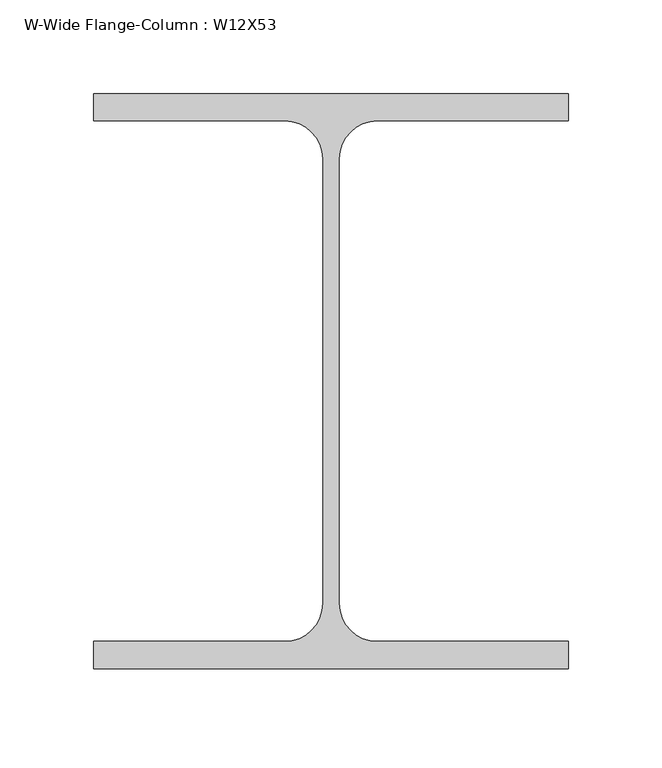
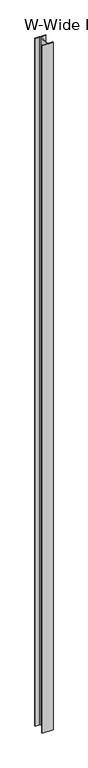
"""IFC4 building model written with IfcOpenShell, lengths in millimetres: column geometry, W-Wide Flange-Column : W12X53."""

from ifc_helpers import new_model, si_unit, point, frame, frame_2d, origin, place, context, project, spatial, polyline, circle_curve, trimmed, segment, composite_curve, outline, extrude, source, transform, mapped, element, save


def w_wide_flange_column_w12x53_06ff35a5(model_context):
    return source(origin(), model_context, "Body", "SweptSolid", [
        extrude(outline(composite_curve([segment(polyline([(127.0, 153.6898438), (127.0, 139.1046875), (24.7054687, 139.1046875)]), True, "CONTINUOUS"), segment(trimmed(circle_curve(frame_2d((24.7054687, 118.7648438)), 20.3398437), [point((24.7054687, 139.1046875))], [point((4.365625, 118.7648437))], True, "CARTESIAN"), True, "CONTINUOUS"), segment(polyline([(4.365625, 118.7648437), (4.365625, -118.7648437)]), True, "CONTINUOUS"), segment(trimmed(circle_curve(frame_2d((24.7054687, -118.7648437)), 20.3398438), [point((4.365625, -118.7648437))], [point((24.7054687, -139.1046875))], True, "CARTESIAN"), True, "CONTINUOUS"), segment(polyline([(24.7054687, -139.1046875), (127.0, -139.1046875), (127.0, -153.6898437), (-127.0, -153.6898437), (-127.0, -139.1046875), (-24.7054688, -139.1046875)]), True, "CONTINUOUS"), segment(trimmed(circle_curve(frame_2d((-24.7054688, -118.7648437)), 20.3398437), [point((-24.7054688, -139.1046875))], [point((-4.365625, -118.7648437))], True, "CARTESIAN"), True, "CONTINUOUS"), segment(polyline([(-4.365625, -118.7648437), (-4.365625, 118.7648438)]), True, "CONTINUOUS"), segment(trimmed(circle_curve(frame_2d((-24.7054688, 118.7648438)), 20.3398437), [point((-4.365625, 118.7648438))], [point((-24.7054688, 139.1046875))], True, "CARTESIAN"), True, "CONTINUOUS"), segment(polyline([(-24.7054688, 139.1046875), (-127.0, 139.1046875), (-127.0, 153.6898438), (127.0, 153.6898438)]), True, "CONTINUOUS")], self_intersect=False)), frame((0.0, 0.0, -863.6), z_axis=(0.0, 0.0, 1.0), x_axis=(1.0, 0.0, 0.0)), (0.0, 0.0, 1.0), 17322.8),
    ])


if __name__ == "__main__":
    model = new_model("IFC4")
    model_context = context("Model", 3, world=origin())
    ifc_project = project(units=[si_unit("LENGTHUNIT", "METRE", prefix="MILLI")], contexts=[model_context])
    site = spatial("IfcSite", under=ifc_project)
    building = spatial("IfcBuilding", under=site)
    placement = place(None, origin())
    w_wide_flange_column_w12x53_shape = w_wide_flange_column_w12x53_06ff35a5(model_context)
    element("IfcColumn", 1, ObjectType="W-Wide Flange-Column : W12X53", at=placement, inside=building, context=model_context, shape_type="MappedRepresentation", body=[
        mapped(w_wide_flange_column_w12x53_shape, transform((0.0, 0.0, 0.0), x_axis=(1.0, 0.0, 0.0), y_axis=(0.0, 1.0, 0.0), z_axis=(0.0, 0.0, 1.0))),
    ])
    save(model, "model.ifc")
